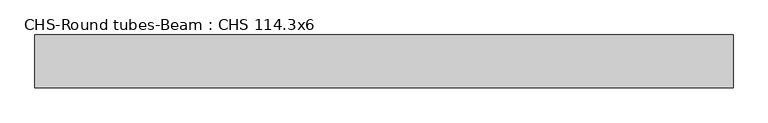
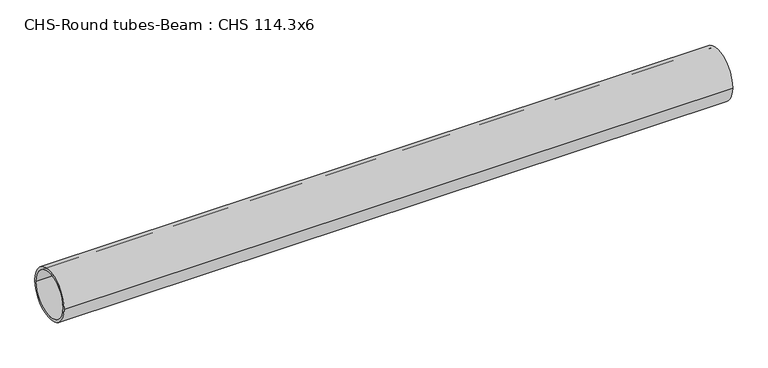
"""IFC4 building model written with IfcOpenShell, lengths in millimetres: beam geometry, CHS-Round tubes-Beam : CHS 114.3x6."""

import ifcopenshell
import ifcopenshell.guid

model = None  # the IFC model being written
_history = None  # IfcOwnerHistory: only IFC2X3 demands one
_inside = {}  # id of a spatial element -> (the spatial element, [elements in it])
_under = {}  # id of a project, library or spatial element -> (it, [spatial elements below it])
_declared = {}  # id of a project -> (the project, [libraries it declares])
_typed = {}  # id of a type object -> (the type object, [elements of that type])
_made_of = {}  # id of a material, layer set ... -> (it, [elements and type objects made of it])


def new_model(schema):
    """Start an empty IFC model of exactly this schema.

    Asked for "IFC4X3", IfcOpenShell would pick the latest addendum, in which some entities
    have other attributes; the version numbers below select the first issue.
    IFC2X3 requires an IfcOwnerHistory on every rooted entity: one is made here for all.
    """
    global model, _history
    if schema == "IFC4X3":
        model = ifcopenshell.file(schema_version=(4, 3, 0, 0))
    else:
        model = ifcopenshell.file(schema=schema)
    _inside.clear()
    _under.clear()
    _declared.clear()
    _typed.clear()
    _made_of.clear()
    _history = None
    if model.schema == "IFC2X3":
        org = make("IfcOrganization", Name="unknown")
        user = make(
            "IfcPersonAndOrganization",
            ThePerson=make("IfcPerson", FamilyName="unknown"),
            TheOrganization=org,
        )
        app = make(
            "IfcApplication",
            ApplicationDeveloper=org,
            Version="unknown",
            ApplicationFullName="unknown",
            ApplicationIdentifier="unknown",
        )
        _history = make(
            "IfcOwnerHistory",
            OwningUser=user,
            OwningApplication=app,
            ChangeAction="ADDED",
            CreationDate=0,
        )
    return model


def make(cls, **values):
    """One entity of the class cls with the attributes given. An attribute that is None is left unset."""
    return model.create_entity(
        cls, **{name: value for name, value in values.items() if value is not None}
    )


def rooted(cls, **values):
    """An entity with a GlobalId (a new one), such as an element, a storey or a relation."""
    return make(cls, GlobalId=ifcopenshell.guid.new(), OwnerHistory=_history, **values)


def si_unit(unit_type, name, prefix=None):
    """IfcSIUnit, for example si_unit("LENGTHUNIT", "METRE", prefix="MILLI")."""
    return make("IfcSIUnit", UnitType=unit_type, Prefix=prefix, Name=name)


def assignment(units):
    """IfcUnitAssignment: the units of a project."""
    return None if units is None else make("IfcUnitAssignment", Units=units)


def point(xyz):
    """IfcCartesianPoint."""
    return None if xyz is None else make("IfcCartesianPoint", Coordinates=xyz)


def direction(xyz):
    """IfcDirection."""
    return None if xyz is None else make("IfcDirection", DirectionRatios=xyz)


def frame(location, z_axis=None, x_axis=None):
    """IfcAxis2Placement3D, a coordinate frame: its origin and axes. An axis left out is left unset."""
    return make(
        "IfcAxis2Placement3D",
        Location=point(location),
        Axis=direction(z_axis),
        RefDirection=direction(x_axis),
    )


def frame_2d(location, x_axis=None):
    """IfcAxis2Placement2D, a coordinate frame in the plane: its origin and x axis."""
    return make(
        "IfcAxis2Placement2D", Location=point(location), RefDirection=direction(x_axis)
    )


def origin():
    """The frame at (0, 0, 0) with its axes left unset."""
    return frame((0.0, 0.0, 0.0))


def origin_2d():
    """The frame at (0, 0) in the plane with its x axis left unset."""
    return frame_2d((0.0, 0.0))


def place(relative_to, where):
    """IfcLocalPlacement: puts the frame where relative to a parent placement (None: the world)."""
    return make(
        "IfcLocalPlacement", PlacementRelTo=relative_to, RelativePlacement=where
    )


def context(
    kind, dimensions, precision=None, world=None, true_north=None, identifier=None
):
    """IfcGeometricRepresentationContext, for example the 3D "Model" context."""
    return make(
        "IfcGeometricRepresentationContext",
        ContextIdentifier=identifier,
        ContextType=kind,
        CoordinateSpaceDimension=dimensions,
        Precision=precision,
        WorldCoordinateSystem=world,
        TrueNorth=true_north,
    )


def project(units=None, contexts=None):
    """IfcProject with its units and contexts."""
    return rooted(
        "IfcProject",
        Name="project",
        RepresentationContexts=contexts,
        UnitsInContext=assignment(units),
    )


def spatial(cls, under=None, at=None, **own):
    """A site, building, storey or space (cls), placed at a placement, below another one or the project."""
    s = rooted(cls, ObjectPlacement=at, **own)
    if under is not None:
        _under.setdefault(under.id(), (under, []))[1].append(s)
    return s


def circle_curve(where, radius):
    """IfcCircle in the frame where."""
    return make("IfcCircle", Position=where, Radius=radius)


def trimmed(basis, trim1, trim2, sense, master):
    """IfcTrimmedCurve: the piece of a basis curve between two trims."""
    return make(
        "IfcTrimmedCurve",
        BasisCurve=basis,
        Trim1=trim1,
        Trim2=trim2,
        SenseAgreement=sense,
        MasterRepresentation=master,
    )


def segment(curve, same_sense, transition):
    """IfcCompositeCurveSegment."""
    return make(
        "IfcCompositeCurveSegment",
        Transition=transition,
        SameSense=same_sense,
        ParentCurve=curve,
    )


def composite_curve(segments, self_intersect=None):
    """IfcCompositeCurve: segments joined end to end."""
    return make("IfcCompositeCurve", Segments=segments, SelfIntersect=self_intersect)


def outline(outer, holes=None, kind="AREA"):
    """IfcArbitraryClosedProfileDef: a profile drawn as a closed curve; with holes, ...WithVoids."""
    if holes is None:
        return make("IfcArbitraryClosedProfileDef", ProfileType=kind, OuterCurve=outer)
    return make(
        "IfcArbitraryProfileDefWithVoids",
        ProfileType=kind,
        OuterCurve=outer,
        InnerCurves=holes,
    )


def extrude(swept, where, along, depth):
    """IfcExtrudedAreaSolid: the profile swept, set in the frame where, extruded along a direction by depth."""
    return make(
        "IfcExtrudedAreaSolid",
        SweptArea=swept,
        Position=where,
        ExtrudedDirection=direction(along),
        Depth=depth,
    )


def shape(context_of_items, identifier, shape_type, items):
    """IfcShapeRepresentation: the items that make up one representation, for example the "Body"."""
    return make(
        "IfcShapeRepresentation",
        ContextOfItems=context_of_items,
        RepresentationIdentifier=identifier,
        RepresentationType=shape_type,
        Items=items,
    )


def source(mapping_origin, context_of_items, identifier, shape_type, items):
    """IfcRepresentationMap: a shape defined once, which mapped items show again and again."""
    return make(
        "IfcRepresentationMap",
        MappingOrigin=mapping_origin,
        MappedRepresentation=shape(context_of_items, identifier, shape_type, items),
    )


def transform(
    local_origin,
    x_axis=None,
    y_axis=None,
    z_axis=None,
    scale=None,
    scale2=None,
    scale3=None,
    uniform=True,
):
    """IfcCartesianTransformationOperator3D, or its non-uniform kind. x_axis, y_axis, z_axis: its Axis1, 2, 3."""
    if uniform:
        return make(
            "IfcCartesianTransformationOperator3D",
            Axis1=direction(x_axis),
            Axis2=direction(y_axis),
            LocalOrigin=point(local_origin),
            Scale=scale,
            Axis3=direction(z_axis),
        )
    return make(
        "IfcCartesianTransformationOperator3DnonUniform",
        Axis1=direction(x_axis),
        Axis2=direction(y_axis),
        LocalOrigin=point(local_origin),
        Scale=scale,
        Axis3=direction(z_axis),
        Scale2=scale2,
        Scale3=scale3,
    )


def mapped(mapping_source, mapping_target):
    """IfcMappedItem: shows the shape of a source again, moved by a transform."""
    return make(
        "IfcMappedItem", MappingSource=mapping_source, MappingTarget=mapping_target
    )


def made_of(thing, what):
    """Note that an element or type object is made of a material, layer set ...; save() writes the relation."""
    if what is not None:
        _made_of.setdefault(what.id(), (what, []))[1].append(thing)
    return thing


def element(
    cls,
    number,
    at=None,
    inside=None,
    cuts=None,
    type_object=None,
    material=None,
    context=None,
    identifier="Body",
    shape_type=None,
    held_by="IfcProductDefinitionShape",
    body=None,
    shapes=None,
    **own,
):
    """One element of the class cls, such as IfcWall. Its Tag is "e" and its number.

    at: its placement. inside: the storey or other place that contains it. cuts: it is an
    opening in that element (IfcRelVoidsElement). A single representation is given by context,
    identifier, shape_type and body (its items); several are given by shapes. held_by: the class
    of the entity that holds the representations. save() writes the other relations.
    """
    e = rooted(cls, Tag="e%d" % number, ObjectPlacement=at, **own)
    if body is not None:
        shapes = [shape(context, identifier, shape_type, body)]
    if shapes is not None:
        e.Representation = make(held_by, Representations=shapes)
    if inside is not None:
        _inside.setdefault(inside.id(), (inside, []))[1].append(e)
    if cuts is not None:
        rooted(
            "IfcRelVoidsElement", RelatingBuildingElement=cuts, RelatedOpeningElement=e
        )
    if type_object is not None:
        _typed.setdefault(type_object.id(), (type_object, []))[1].append(e)
    return made_of(e, material)


def aggregate(whole, parts):
    """IfcRelAggregates: a whole, such as a stair, and the parts it consists of."""
    return rooted("IfcRelAggregates", RelatingObject=whole, RelatedObjects=parts)


def save(model, path):
    """Write the relations noted so far, then the file.

    IfcRelAggregates (storeys below a building ...), IfcRelContainedInSpatialStructure (elements
    in a storey), IfcRelDefinesByType, IfcRelAssociatesMaterial and IfcRelDeclares: one each for
    every whole, place, type object, material and project.
    """
    for whole, parts in _under.values():
        aggregate(whole, parts)
    for where, things in _inside.values():
        rooted(
            "IfcRelContainedInSpatialStructure",
            RelatedElements=things,
            RelatingStructure=where,
        )
    for kind, things in _typed.values():
        rooted("IfcRelDefinesByType", RelatedObjects=things, RelatingType=kind)
    for what, things in _made_of.values():
        rooted("IfcRelAssociatesMaterial", RelatedObjects=things, RelatingMaterial=what)
    for by, libraries in _declared.values():
        rooted("IfcRelDeclares", RelatingContext=by, RelatedDefinitions=libraries)
    model.write(path)


def chs_round_tubes_beam_chs_114_3x6_2cd37bc1(model_context):
    return source(origin(), model_context, "Body", "SweptSolid", [
        extrude(outline(composite_curve([segment(trimmed(circle_curve(origin_2d(), 57.15), [point((57.15, 0.0))], [point((-57.15, 0.0))], False, "CARTESIAN"), True, "CONTINUOUS"), segment(trimmed(circle_curve(origin_2d(), 57.15), [point((-57.15, 0.0))], [point((57.15, 0.0))], False, "CARTESIAN"), True, "CONTINUOUS")], self_intersect=False), holes=[composite_curve([segment(trimmed(circle_curve(origin_2d(), 51.15), [point((51.15, 0.0))], [point((-51.15, 0.0))], True, "CARTESIAN"), True, "CONTINUOUS"), segment(trimmed(circle_curve(origin_2d(), 51.15), [point((-51.15, 0.0))], [point((51.15, 0.0))], True, "CARTESIAN"), True, "CONTINUOUS")], self_intersect=False)]), frame((-745.4803321, 0.0, 0.0), z_axis=(1.0, 0.0, 0.0), x_axis=(0.0, 1.0, 0.0)), (0.0, 0.0, 1.0), 1505.5376761),
    ])


if __name__ == "__main__":
    model = new_model("IFC4")
    model_context = context("Model", 3, world=origin())
    ifc_project = project(units=[si_unit("LENGTHUNIT", "METRE", prefix="MILLI")], contexts=[model_context])
    site = spatial("IfcSite", under=ifc_project)
    building = spatial("IfcBuilding", under=site)
    placement = place(None, origin())
    chs_round_tubes_beam_chs_114_3x6_shape = chs_round_tubes_beam_chs_114_3x6_2cd37bc1(model_context)
    element("IfcBeam", 1, ObjectType="CHS-Round tubes-Beam : CHS 114.3x6", at=placement, inside=building, context=model_context, shape_type="MappedRepresentation", body=[
        mapped(chs_round_tubes_beam_chs_114_3x6_shape, transform((0.0, 0.0, 0.0), x_axis=(1.0, 0.0, 0.0), y_axis=(0.0, 1.0, 0.0), z_axis=(0.0, 0.0, 1.0))),
    ])
    save(model, "model.ifc")
